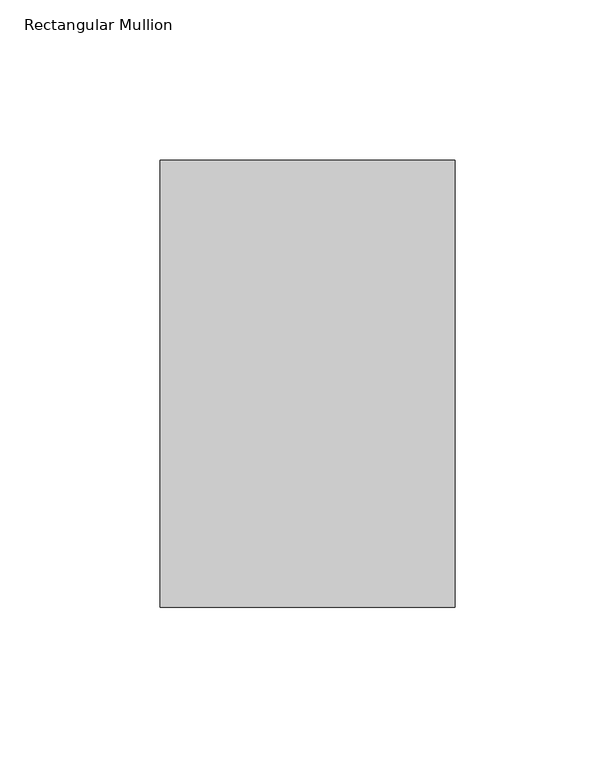
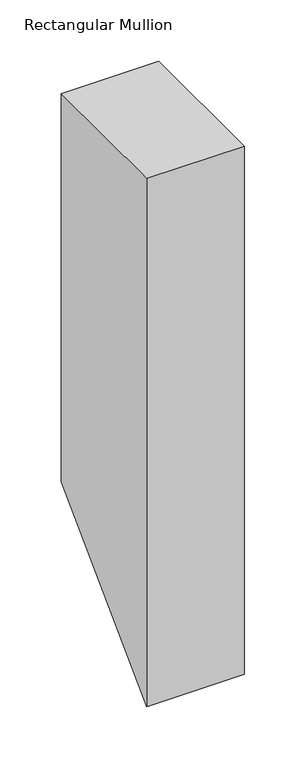
"""IFC4 building model written with IfcOpenShell, lengths in millimetres: member geometry, Rectangular Mullion."""

from ifc_helpers import new_model, si_unit, frame, origin, place, context, project, spatial, polyline, outline, extrude, source, transform, mapped, element, save


def rectangular_mullion_73d88ec6(model_context):
    return source(origin(), model_context, "Body", "SweptSolid", [
        extrude(outline(polyline([(50.8198168, 0.0), (190.4182179, 0.0), (190.4182179, -387.1436508), (50.8198168, -526.7420519), (50.8198168, 0.0)])), frame((-92.0626246, 0.0, 0.0), z_axis=(1.0, 0.0, 0.0), x_axis=(0.0, 1.0, 0.0)), (0.0, 0.0, 1.0), 92.0626246),
    ])


if __name__ == "__main__":
    model = new_model("IFC4")
    model_context = context("Model", 3, world=origin())
    ifc_project = project(units=[si_unit("LENGTHUNIT", "METRE", prefix="MILLI")], contexts=[model_context])
    site = spatial("IfcSite", under=ifc_project)
    building = spatial("IfcBuilding", under=site)
    placement = place(None, origin())
    rectangular_mullion_shape = rectangular_mullion_73d88ec6(model_context)
    element("IfcMember", 1, ObjectType="Rectangular Mullion", at=placement, inside=building, context=model_context, shape_type="MappedRepresentation", body=[
        mapped(rectangular_mullion_shape, transform((0.0, 0.0, 0.0), x_axis=(1.0, 0.0, 0.0), y_axis=(0.0, 1.0, 0.0), z_axis=(0.0, 0.0, 1.0))),
    ])
    save(model, "model.ifc")
